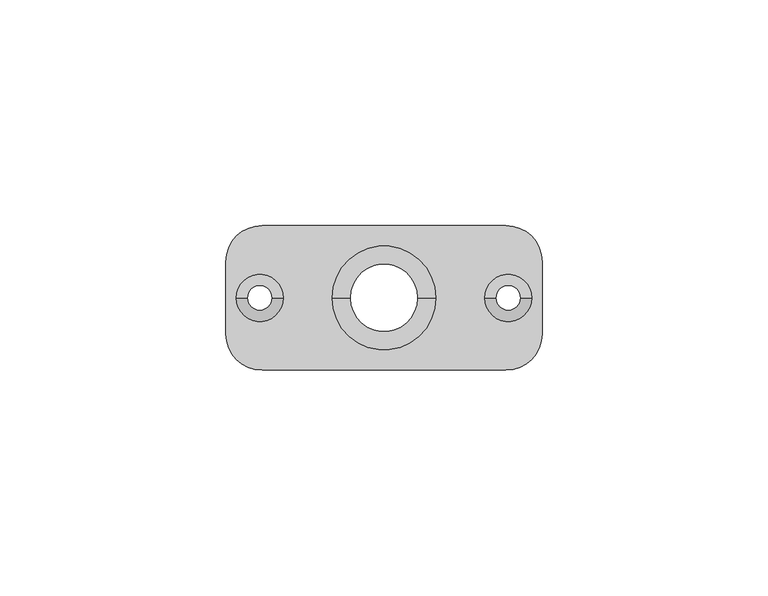
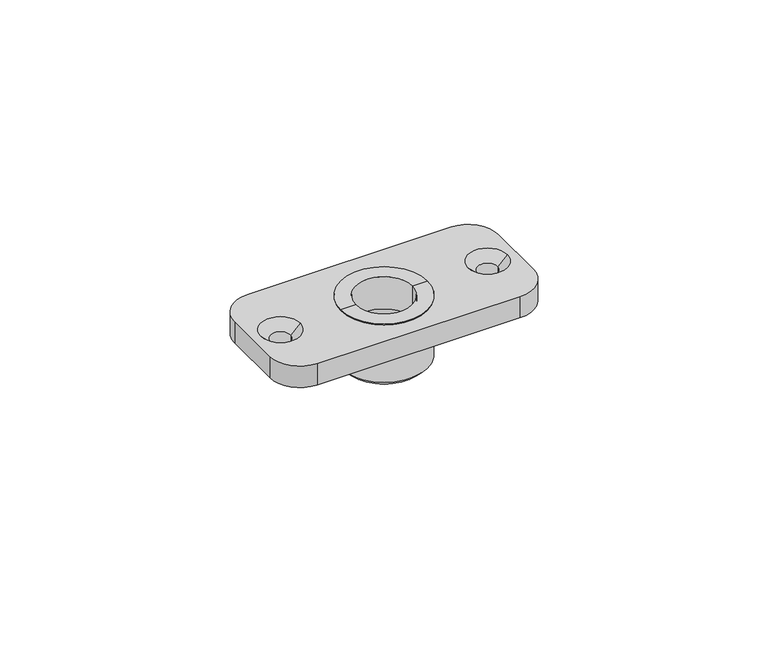
"""IFC4 building model written with IfcOpenShell, lengths in millimetres: proxy geometry."""

from ifc_helpers import new_model, si_unit, frame, origin, place, context, project, spatial, polyline, circle_curve, source, transform, mapped, element, save
from ifc_brep_helpers import plane_surface, cylinder_surface, revolved_surface, advanced_brep


def generic_models_5ff5dba3(model_context):
    return source(origin(), model_context, "Body", "AdvancedBrep", [
        advanced_brep(
        [(7.5, 0.0, -9.0), (-7.5, 0.0, -9.0), (-8.5, 0.0, -9.0), (8.5, 0.0, -9.0), (7.5, 0.0, 0.0), (-7.5, 0.0, 0.0), (11.5, 0.0, 0.0), (-11.5, 0.0, 0.0), (11.5, 0.0, -1.0), (-11.5, 0.0, -1.0), (8.5, 0.0, -1.0), (-8.5, 0.0, -1.0)],
        [
            (0, 1, circle_curve(frame((0.0, 0.0, -9.0), z_axis=(0.0, 0.0, 1.0), x_axis=(-1.0, 0.0, 0.0)), 7.5)),
            (1, 2),
            (2, 3, circle_curve(frame((0.0, 0.0, -9.0), z_axis=(0.0, 0.0, -1.0), x_axis=(-1.0, 0.0, 0.0)), 8.5)),
            (3, 0),
            (1, 0, circle_curve(frame((0.0, 0.0, -9.0), z_axis=(0.0, 0.0, 1.0), x_axis=(-1.0, 0.0, 0.0)), 7.5)),
            (3, 2, circle_curve(frame((0.0, 0.0, -9.0), z_axis=(0.0, 0.0, -1.0), x_axis=(-1.0, 0.0, 0.0)), 8.5)),
            (4, 5, circle_curve(frame((0.0, 0.0, 0.0), z_axis=(0.0, 0.0, 1.0), x_axis=(-1.0, 0.0, 0.0)), 7.5)),
            (5, 1),
            (0, 4),
            (5, 4, circle_curve(frame((0.0, 0.0, 0.0), z_axis=(0.0, 0.0, 1.0), x_axis=(-1.0, 0.0, 0.0)), 7.5)),
            (6, 7, circle_curve(frame((0.0, 0.0, 0.0), z_axis=(0.0, 0.0, 1.0), x_axis=(-1.0, 0.0, 0.0)), 11.5)),
            (7, 5),
            (4, 6),
            (7, 6, circle_curve(frame((0.0, 0.0, 0.0), z_axis=(0.0, 0.0, 1.0), x_axis=(-1.0, 0.0, 0.0)), 11.5)),
            (8, 9, circle_curve(frame((0.0, 0.0, -1.0), z_axis=(0.0, 0.0, 1.0), x_axis=(-1.0, 0.0, 0.0)), 11.5)),
            (9, 7),
            (6, 8),
            (9, 8, circle_curve(frame((0.0, 0.0, -1.0), z_axis=(0.0, 0.0, 1.0), x_axis=(-1.0, 0.0, 0.0)), 11.5)),
            (10, 11, circle_curve(frame((0.0, 0.0, -1.0), z_axis=(0.0, 0.0, 1.0), x_axis=(-1.0, 0.0, 0.0)), 8.5)),
            (11, 9),
            (8, 10),
            (11, 10, circle_curve(frame((0.0, 0.0, -1.0), z_axis=(0.0, 0.0, 1.0), x_axis=(-1.0, 0.0, 0.0)), 8.5)),
            (2, 11),
            (10, 3),
        ],
        [
            plane_surface(frame((0.0, 0.0, -9.0), z_axis=(0.0, 0.0, -1.0), x_axis=(-1.0, 0.0, 0.0))),
            revolved_surface(polyline([(-7.5, 0.0, -9.0), (-7.5, 0.0, 0.0)]), (0.0, 0.0, 4.5433419), (0.0, 0.0, -1.0)),
            plane_surface(frame((0.0, 0.0, 0.0), z_axis=(0.0, 0.0, 1.0), x_axis=(-1.0, 0.0, 0.0))),
            cylinder_surface(frame((0.0, 0.0, 4.5433419), z_axis=(0.0, 0.0, -1.0), x_axis=(-1.0, 0.0, 0.0)), 11.5),
            plane_surface(frame((0.0, 0.0, -1.0), z_axis=(0.0, 0.0, -1.0), x_axis=(-1.0, 0.0, 0.0))),
            cylinder_surface(frame((0.0, 0.0, 4.5433419), z_axis=(0.0, 0.0, -1.0), x_axis=(-1.0, 0.0, 0.0)), 8.5),
        ],
        [
            (0, [[1, 2, 3, 4]]),
            (0, [[5, -4, 6, -2]]),
            (1, [[7, 8, -1, 9]]),
            (1, [[10, -9, -5, -8]]),
            (2, [[11, 12, -7, 13]]),
            (2, [[14, -13, -10, -12]]),
            (3, [[15, 16, -11, 17]]),
            (3, [[18, -17, -14, -16]]),
            (4, [[19, 20, -15, 21]]),
            (4, [[22, -21, -18, -20]]),
            (5, [[-3, 23, -19, 24]]),
            (5, [[-6, -24, -22, -23]]),
        ],
    ),
        advanced_brep(
        [(11.5, 0.0, -1.0), (-11.5, 0.0, -1.0), (-8.5, 0.0, -1.0), (8.5, 0.0, -1.0), (11.5, 0.0, -16.4441822), (-11.5, 0.0, -16.4441822), (8.5, 0.0, -18.0), (-8.5, 0.0, -18.0), (-9.9441822, 0.0, -18.0), (9.9441822, 0.0, -18.0)],
        [
            (0, 1, circle_curve(frame((0.0, 0.0, -1.0), z_axis=(0.0, 0.0, 1.0), x_axis=(-1.0, 0.0, 0.0)), 11.5)),
            (1, 2),
            (2, 3, circle_curve(frame((0.0, 0.0, -1.0), z_axis=(0.0, 0.0, -1.0), x_axis=(-1.0, 0.0, 0.0)), 8.5)),
            (3, 0),
            (1, 0, circle_curve(frame((0.0, 0.0, -1.0), z_axis=(0.0, 0.0, 1.0), x_axis=(-1.0, 0.0, 0.0)), 11.5)),
            (3, 2, circle_curve(frame((0.0, 0.0, -1.0), z_axis=(0.0, 0.0, -1.0), x_axis=(-1.0, 0.0, 0.0)), 8.5)),
            (4, 5, circle_curve(frame((0.0, 0.0, -16.4441822), z_axis=(0.0, 0.0, 1.0), x_axis=(-1.0, 0.0, 0.0)), 11.5)),
            (5, 1),
            (0, 4),
            (5, 4, circle_curve(frame((0.0, 0.0, -16.4441822), z_axis=(0.0, 0.0, 1.0), x_axis=(-1.0, 0.0, 0.0)), 11.5)),
            (6, 7, circle_curve(frame((0.0, 0.0, -18.0), z_axis=(0.0, 0.0, 1.0), x_axis=(-1.0, 0.0, 0.0)), 8.5)),
            (7, 8),
            (8, 9, circle_curve(frame((0.0, 0.0, -18.0), z_axis=(0.0, 0.0, -1.0), x_axis=(-1.0, 0.0, 0.0)), 9.9441822)),
            (9, 6),
            (7, 6, circle_curve(frame((0.0, 0.0, -18.0), z_axis=(0.0, 0.0, 1.0), x_axis=(-1.0, 0.0, 0.0)), 8.5)),
            (9, 8, circle_curve(frame((0.0, 0.0, -18.0), z_axis=(0.0, 0.0, -1.0), x_axis=(-1.0, 0.0, 0.0)), 9.9441822)),
            (2, 7),
            (6, 3),
            (8, 5),
            (4, 9),
        ],
        [
            plane_surface(frame((0.0, 0.0, -1.0), z_axis=(0.0, 0.0, 1.0), x_axis=(-1.0, 0.0, 0.0))),
            cylinder_surface(frame((0.0, 0.0, 18.1598968), z_axis=(0.0, 0.0, -1.0), x_axis=(-1.0, 0.0, 0.0)), 11.5),
            plane_surface(frame((0.0, 0.0, -18.0), z_axis=(0.0, 0.0, -1.0), x_axis=(-1.0, 0.0, 0.0))),
            revolved_surface(polyline([(-8.5, 0.0, -18.0), (-8.5, 0.0, -1.0)]), (0.0, 0.0, 18.1598968), (0.0, 0.0, -1.0)),
            revolved_surface(polyline([(-11.5, 0.0, -16.4441822), (-9.9441822, 0.0, -18.0)]), (0.0, 0.0, 18.1598968), (0.0, 0.0, -1.0)),
        ],
        [
            (0, [[1, 2, 3, 4]]),
            (0, [[5, -4, 6, -2]]),
            (1, [[7, 8, -1, 9]]),
            (1, [[10, -9, -5, -8]]),
            (2, [[11, 12, 13, 14]]),
            (2, [[15, -14, 16, -12]]),
            (3, [[-3, 17, -11, 18]]),
            (3, [[-6, -18, -15, -17]]),
            (4, [[-13, 19, -7, 20]]),
            (4, [[-16, -20, -10, -19]]),
        ],
    ),
        advanced_brep(
        [(27.0, -16.0, 0.0), (35.0, -8.0, 0.0), (35.0, 8.0, 0.0), (27.0, 16.0, 0.0), (-27.0, 16.0, 0.0), (-35.0, 8.0, 0.0), (-35.0, -8.0, 0.0), (-27.0, -16.0, 0.0), (11.5, 0.0, 0.0), (-11.5, 0.0, 0.0), (-32.7, 0.0, 0.0), (-22.3, 0.0, 0.0), (22.3, 0.0, 0.0), (32.7, 0.0, 0.0), (27.0, -16.0, -6.0), (-27.0, -16.0, -6.0), (-35.0, -8.0, -6.0), (-35.0, 8.0, -6.0), (-27.0, 16.0, -6.0), (27.0, 16.0, -6.0), (35.0, 8.0, -6.0), (35.0, -8.0, -6.0), (-11.5, 0.0, -6.0), (11.5, 0.0, -6.0), (-24.75, 0.0, -6.0), (-30.25, 0.0, -6.0), (30.25, 0.0, -6.0), (24.75, 0.0, -6.0), (-24.75, 0.0, -2.45), (-30.25, 0.0, -2.45), (30.25, 0.0, -2.45), (24.75, 0.0, -2.45)],
        [
            (0, 1, circle_curve(frame((27.0, -8.0, 0.0), z_axis=(0.0, 0.0, 1.0), x_axis=(1.0, 0.0, 0.0)), 8.0)),
            (1, 2),
            (2, 3, circle_curve(frame((27.0, 8.0, 0.0), z_axis=(0.0, 0.0, 1.0), x_axis=(1.0, 0.0, 0.0)), 8.0)),
            (3, 4),
            (4, 5, circle_curve(frame((-27.0, 8.0, 0.0), z_axis=(0.0, 0.0, 1.0), x_axis=(1.0, 0.0, 0.0)), 8.0)),
            (5, 6),
            (6, 7, circle_curve(frame((-27.0, -8.0, 0.0), z_axis=(0.0, 0.0, 1.0), x_axis=(1.0, 0.0, 0.0)), 8.0)),
            (7, 0),
            (8, 9, circle_curve(frame((0.0, 0.0, 0.0), z_axis=(0.0, 0.0, -1.0), x_axis=(1.0, 0.0, 0.0)), 11.5)),
            (9, 8, circle_curve(frame((0.0, 0.0, 0.0), z_axis=(0.0, 0.0, -1.0), x_axis=(1.0, 0.0, 0.0)), 11.5)),
            (10, 11, circle_curve(frame((-27.5, 0.0, 0.0), z_axis=(0.0, 0.0, -1.0), x_axis=(-1.0, 0.0, 0.0)), 5.2)),
            (11, 10, circle_curve(frame((-27.5, 0.0, 0.0), z_axis=(0.0, 0.0, -1.0), x_axis=(-1.0, 0.0, 0.0)), 5.2)),
            (12, 13, circle_curve(frame((27.5, 0.0, 0.0), z_axis=(0.0, 0.0, -1.0), x_axis=(-1.0, 0.0, 0.0)), 5.2)),
            (13, 12, circle_curve(frame((27.5, 0.0, 0.0), z_axis=(0.0, 0.0, -1.0), x_axis=(-1.0, 0.0, 0.0)), 5.2)),
            (14, 15),
            (15, 16, circle_curve(frame((-27.0, -8.0, -6.0), z_axis=(0.0, 0.0, -1.0), x_axis=(1.0, 0.0, 0.0)), 8.0)),
            (16, 17),
            (17, 18, circle_curve(frame((-27.0, 8.0, -6.0), z_axis=(0.0, 0.0, -1.0), x_axis=(1.0, 0.0, 0.0)), 8.0)),
            (18, 19),
            (19, 20, circle_curve(frame((27.0, 8.0, -6.0), z_axis=(0.0, 0.0, -1.0), x_axis=(1.0, 0.0, 0.0)), 8.0)),
            (20, 21),
            (21, 14, circle_curve(frame((27.0, -8.0, -6.0), z_axis=(0.0, 0.0, -1.0), x_axis=(1.0, 0.0, 0.0)), 8.0)),
            (22, 23, circle_curve(frame((0.0, 0.0, -6.0), z_axis=(0.0, 0.0, 1.0), x_axis=(1.0, 0.0, 0.0)), 11.5)),
            (23, 22, circle_curve(frame((0.0, 0.0, -6.0), z_axis=(0.0, 0.0, 1.0), x_axis=(1.0, 0.0, 0.0)), 11.5)),
            (24, 25, circle_curve(frame((-27.5, 0.0, -6.0), z_axis=(0.0, 0.0, 1.0), x_axis=(-1.0, 0.0, 0.0)), 2.75)),
            (25, 24, circle_curve(frame((-27.5, 0.0, -6.0), z_axis=(0.0, 0.0, 1.0), x_axis=(-1.0, 0.0, 0.0)), 2.75)),
            (26, 27, circle_curve(frame((27.5, 0.0, -6.0), z_axis=(0.0, 0.0, 1.0), x_axis=(-1.0, 0.0, 0.0)), 2.75)),
            (27, 26, circle_curve(frame((27.5, 0.0, -6.0), z_axis=(0.0, 0.0, 1.0), x_axis=(-1.0, 0.0, 0.0)), 2.75)),
            (0, 14),
            (21, 1),
            (20, 2),
            (19, 3),
            (18, 4),
            (17, 5),
            (16, 6),
            (15, 7),
            (8, 23),
            (22, 9),
            (28, 11),
            (10, 29),
            (29, 28, circle_curve(frame((-27.5, 0.0, -2.45), z_axis=(0.0, 0.0, -1.0), x_axis=(-1.0, 0.0, 0.0)), 2.75)),
            (28, 29, circle_curve(frame((-27.5, 0.0, -2.45), z_axis=(0.0, 0.0, -1.0), x_axis=(-1.0, 0.0, 0.0)), 2.75)),
            (29, 25),
            (24, 28),
            (30, 13),
            (12, 31),
            (31, 30, circle_curve(frame((27.5, 0.0, -2.45), z_axis=(0.0, 0.0, -1.0), x_axis=(-1.0, 0.0, 0.0)), 2.75)),
            (30, 31, circle_curve(frame((27.5, 0.0, -2.45), z_axis=(0.0, 0.0, -1.0), x_axis=(-1.0, 0.0, 0.0)), 2.75)),
            (31, 27),
            (26, 30),
        ],
        [
            plane_surface(frame((35.0, -8.0, 0.0), z_axis=(0.0, 0.0, 1.0), x_axis=(0.0, 1.0, 0.0))),
            plane_surface(frame((35.0, -8.0, -6.0), z_axis=(0.0, 0.0, -1.0), x_axis=(0.0, -1.0, 0.0))),
            cylinder_surface(frame((27.0, -8.0, -6.0), z_axis=(0.0, 0.0, 1.0), x_axis=(1.0, 0.0, 0.0)), 8.0),
            plane_surface(frame((35.0, -8.0, 0.0), z_axis=(1.0, 0.0, 0.0), x_axis=(0.0, 0.0, -1.0))),
            cylinder_surface(frame((27.0, 8.0, -6.0), z_axis=(0.0, 0.0, 1.0), x_axis=(1.0, 0.0, 0.0)), 8.0),
            plane_surface(frame((27.0, 16.0, 0.0), z_axis=(0.0, 1.0, 0.0), x_axis=(0.0, 0.0, -1.0))),
            cylinder_surface(frame((-27.0, 8.0, -6.0), z_axis=(0.0, 0.0, 1.0), x_axis=(1.0, 0.0, 0.0)), 8.0),
            plane_surface(frame((-35.0, 8.0, 0.0), z_axis=(-1.0, 0.0, 0.0), x_axis=(0.0, 0.0, -1.0))),
            cylinder_surface(frame((-27.0, -8.0, -6.0), z_axis=(0.0, 0.0, 1.0), x_axis=(1.0, 0.0, 0.0)), 8.0),
            plane_surface(frame((-27.0, -16.0, 0.0), z_axis=(0.0, -1.0, 0.0), x_axis=(0.0, 0.0, -1.0))),
            revolved_surface(polyline([(11.5, 0.0, 0.0), (11.5, 0.0, -6.0)]), (0.0, 0.0, -6.0), (0.0, 0.0, 1.0)),
            revolved_surface(polyline([(-30.25, 0.0, -2.45), (-32.7, 0.0, 0.0)]), (-27.5, 0.0, 0.0), (0.0, 0.0, -1.0)),
            revolved_surface(polyline([(-30.25, 0.0, -6.0), (-30.25, 0.0, -2.45)]), (-27.5, 0.0, 0.0), (0.0, 0.0, -1.0)),
            revolved_surface(polyline([(24.75, 0.0, -2.45), (22.3, 0.0, 0.0)]), (27.5, 0.0, 0.0), (0.0, 0.0, -1.0)),
            revolved_surface(polyline([(24.75, 0.0, -6.0), (24.75, 0.0, -2.45)]), (27.5, 0.0, 0.0), (0.0, 0.0, -1.0)),
        ],
        [
            (0, [[1, 2, 3, 4, 5, 6, 7, 8], [9, 10], [11, 12], [13, 14]]),
            (1, [[15, 16, 17, 18, 19, 20, 21, 22], [23, 24], [25, 26], [27, 28]]),
            (2, [[-1, 29, -22, 30]]),
            (3, [[-2, -30, -21, 31]]),
            (4, [[-3, -31, -20, 32]]),
            (5, [[-4, -32, -19, 33]]),
            (6, [[-5, -33, -18, 34]]),
            (7, [[-6, -34, -17, 35]]),
            (8, [[-7, -35, -16, 36]]),
            (9, [[-8, -36, -15, -29]]),
            (10, [[37, -23, 38, -9]]),
            (10, [[-37, -10, -38, -24]]),
            (11, [[39, -11, 40, 41]]),
            (11, [[-39, 42, -40, -12]]),
            (12, [[-41, 43, -25, 44]]),
            (12, [[-42, -44, -26, -43]]),
            (13, [[45, -13, 46, 47]]),
            (13, [[-45, 48, -46, -14]]),
            (14, [[-47, 49, -27, 50]]),
            (14, [[-48, -50, -28, -49]]),
        ],
    ),
    ])


if __name__ == "__main__":
    model = new_model("IFC4")
    model_context = context("Model", 3, world=origin())
    ifc_project = project(units=[si_unit("LENGTHUNIT", "METRE", prefix="MILLI")], contexts=[model_context])
    site = spatial("IfcSite", under=ifc_project)
    building = spatial("IfcBuilding", under=site)
    placement = place(None, origin())
    generic_models_shape = generic_models_5ff5dba3(model_context)
    element("IfcBuildingElementProxy", 1, Name="Generic Models", at=placement, inside=building, context=model_context, shape_type="MappedRepresentation", body=[
        mapped(generic_models_shape, transform((0.0, 0.0, 0.0), x_axis=(1.0, 0.0, 0.0), y_axis=(0.0, 1.0, 0.0), z_axis=(0.0, 0.0, 1.0))),
    ])
    save(model, "model.ifc")
